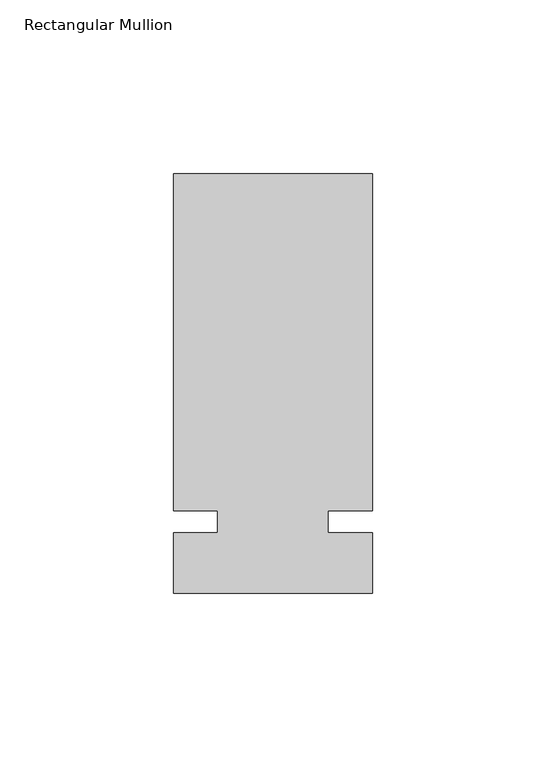
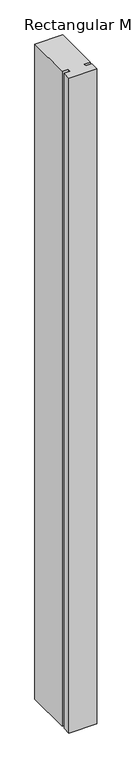
"""IFC4 building model written with IfcOpenShell, lengths in millimetres: member geometry, Rectangular Mullion."""

import ifcopenshell
import ifcopenshell.guid

model = None  # the IFC model being written
_history = None  # IfcOwnerHistory: only IFC2X3 demands one
_inside = {}  # id of a spatial element -> (the spatial element, [elements in it])
_under = {}  # id of a project, library or spatial element -> (it, [spatial elements below it])
_declared = {}  # id of a project -> (the project, [libraries it declares])
_typed = {}  # id of a type object -> (the type object, [elements of that type])
_made_of = {}  # id of a material, layer set ... -> (it, [elements and type objects made of it])


def new_model(schema):
    """Start an empty IFC model of exactly this schema.

    Asked for "IFC4X3", IfcOpenShell would pick the latest addendum, in which some entities
    have other attributes; the version numbers below select the first issue.
    IFC2X3 requires an IfcOwnerHistory on every rooted entity: one is made here for all.
    """
    global model, _history
    if schema == "IFC4X3":
        model = ifcopenshell.file(schema_version=(4, 3, 0, 0))
    else:
        model = ifcopenshell.file(schema=schema)
    _inside.clear()
    _under.clear()
    _declared.clear()
    _typed.clear()
    _made_of.clear()
    _history = None
    if model.schema == "IFC2X3":
        org = make("IfcOrganization", Name="unknown")
        user = make(
            "IfcPersonAndOrganization",
            ThePerson=make("IfcPerson", FamilyName="unknown"),
            TheOrganization=org,
        )
        app = make(
            "IfcApplication",
            ApplicationDeveloper=org,
            Version="unknown",
            ApplicationFullName="unknown",
            ApplicationIdentifier="unknown",
        )
        _history = make(
            "IfcOwnerHistory",
            OwningUser=user,
            OwningApplication=app,
            ChangeAction="ADDED",
            CreationDate=0,
        )
    return model


def make(cls, **values):
    """One entity of the class cls with the attributes given. An attribute that is None is left unset."""
    return model.create_entity(
        cls, **{name: value for name, value in values.items() if value is not None}
    )


def rooted(cls, **values):
    """An entity with a GlobalId (a new one), such as an element, a storey or a relation."""
    return make(cls, GlobalId=ifcopenshell.guid.new(), OwnerHistory=_history, **values)


def si_unit(unit_type, name, prefix=None):
    """IfcSIUnit, for example si_unit("LENGTHUNIT", "METRE", prefix="MILLI")."""
    return make("IfcSIUnit", UnitType=unit_type, Prefix=prefix, Name=name)


def assignment(units):
    """IfcUnitAssignment: the units of a project."""
    return None if units is None else make("IfcUnitAssignment", Units=units)


def point(xyz):
    """IfcCartesianPoint."""
    return None if xyz is None else make("IfcCartesianPoint", Coordinates=xyz)


def direction(xyz):
    """IfcDirection."""
    return None if xyz is None else make("IfcDirection", DirectionRatios=xyz)


def frame(location, z_axis=None, x_axis=None):
    """IfcAxis2Placement3D, a coordinate frame: its origin and axes. An axis left out is left unset."""
    return make(
        "IfcAxis2Placement3D",
        Location=point(location),
        Axis=direction(z_axis),
        RefDirection=direction(x_axis),
    )


def origin():
    """The frame at (0, 0, 0) with its axes left unset."""
    return frame((0.0, 0.0, 0.0))


def place(relative_to, where):
    """IfcLocalPlacement: puts the frame where relative to a parent placement (None: the world)."""
    return make(
        "IfcLocalPlacement", PlacementRelTo=relative_to, RelativePlacement=where
    )


def context(
    kind, dimensions, precision=None, world=None, true_north=None, identifier=None
):
    """IfcGeometricRepresentationContext, for example the 3D "Model" context."""
    return make(
        "IfcGeometricRepresentationContext",
        ContextIdentifier=identifier,
        ContextType=kind,
        CoordinateSpaceDimension=dimensions,
        Precision=precision,
        WorldCoordinateSystem=world,
        TrueNorth=true_north,
    )


def project(units=None, contexts=None):
    """IfcProject with its units and contexts."""
    return rooted(
        "IfcProject",
        Name="project",
        RepresentationContexts=contexts,
        UnitsInContext=assignment(units),
    )


def spatial(cls, under=None, at=None, **own):
    """A site, building, storey or space (cls), placed at a placement, below another one or the project."""
    s = rooted(cls, ObjectPlacement=at, **own)
    if under is not None:
        _under.setdefault(under.id(), (under, []))[1].append(s)
    return s


def polyline(points):
    """IfcPolyline through the points."""
    return make("IfcPolyline", Points=[point(p) for p in points])


def outline(outer, holes=None, kind="AREA"):
    """IfcArbitraryClosedProfileDef: a profile drawn as a closed curve; with holes, ...WithVoids."""
    if holes is None:
        return make("IfcArbitraryClosedProfileDef", ProfileType=kind, OuterCurve=outer)
    return make(
        "IfcArbitraryProfileDefWithVoids",
        ProfileType=kind,
        OuterCurve=outer,
        InnerCurves=holes,
    )


def extrude(swept, where, along, depth):
    """IfcExtrudedAreaSolid: the profile swept, set in the frame where, extruded along a direction by depth."""
    return make(
        "IfcExtrudedAreaSolid",
        SweptArea=swept,
        Position=where,
        ExtrudedDirection=direction(along),
        Depth=depth,
    )


def shape(context_of_items, identifier, shape_type, items):
    """IfcShapeRepresentation: the items that make up one representation, for example the "Body"."""
    return make(
        "IfcShapeRepresentation",
        ContextOfItems=context_of_items,
        RepresentationIdentifier=identifier,
        RepresentationType=shape_type,
        Items=items,
    )


def source(mapping_origin, context_of_items, identifier, shape_type, items):
    """IfcRepresentationMap: a shape defined once, which mapped items show again and again."""
    return make(
        "IfcRepresentationMap",
        MappingOrigin=mapping_origin,
        MappedRepresentation=shape(context_of_items, identifier, shape_type, items),
    )


def transform(
    local_origin,
    x_axis=None,
    y_axis=None,
    z_axis=None,
    scale=None,
    scale2=None,
    scale3=None,
    uniform=True,
):
    """IfcCartesianTransformationOperator3D, or its non-uniform kind. x_axis, y_axis, z_axis: its Axis1, 2, 3."""
    if uniform:
        return make(
            "IfcCartesianTransformationOperator3D",
            Axis1=direction(x_axis),
            Axis2=direction(y_axis),
            LocalOrigin=point(local_origin),
            Scale=scale,
            Axis3=direction(z_axis),
        )
    return make(
        "IfcCartesianTransformationOperator3DnonUniform",
        Axis1=direction(x_axis),
        Axis2=direction(y_axis),
        LocalOrigin=point(local_origin),
        Scale=scale,
        Axis3=direction(z_axis),
        Scale2=scale2,
        Scale3=scale3,
    )


def mapped(mapping_source, mapping_target):
    """IfcMappedItem: shows the shape of a source again, moved by a transform."""
    return make(
        "IfcMappedItem", MappingSource=mapping_source, MappingTarget=mapping_target
    )


def made_of(thing, what):
    """Note that an element or type object is made of a material, layer set ...; save() writes the relation."""
    if what is not None:
        _made_of.setdefault(what.id(), (what, []))[1].append(thing)
    return thing


def element(
    cls,
    number,
    at=None,
    inside=None,
    cuts=None,
    type_object=None,
    material=None,
    context=None,
    identifier="Body",
    shape_type=None,
    held_by="IfcProductDefinitionShape",
    body=None,
    shapes=None,
    **own,
):
    """One element of the class cls, such as IfcWall. Its Tag is "e" and its number.

    at: its placement. inside: the storey or other place that contains it. cuts: it is an
    opening in that element (IfcRelVoidsElement). A single representation is given by context,
    identifier, shape_type and body (its items); several are given by shapes. held_by: the class
    of the entity that holds the representations. save() writes the other relations.
    """
    e = rooted(cls, Tag="e%d" % number, ObjectPlacement=at, **own)
    if body is not None:
        shapes = [shape(context, identifier, shape_type, body)]
    if shapes is not None:
        e.Representation = make(held_by, Representations=shapes)
    if inside is not None:
        _inside.setdefault(inside.id(), (inside, []))[1].append(e)
    if cuts is not None:
        rooted(
            "IfcRelVoidsElement", RelatingBuildingElement=cuts, RelatedOpeningElement=e
        )
    if type_object is not None:
        _typed.setdefault(type_object.id(), (type_object, []))[1].append(e)
    return made_of(e, material)


def aggregate(whole, parts):
    """IfcRelAggregates: a whole, such as a stair, and the parts it consists of."""
    return rooted("IfcRelAggregates", RelatingObject=whole, RelatedObjects=parts)


def save(model, path):
    """Write the relations noted so far, then the file.

    IfcRelAggregates (storeys below a building ...), IfcRelContainedInSpatialStructure (elements
    in a storey), IfcRelDefinesByType, IfcRelAssociatesMaterial and IfcRelDeclares: one each for
    every whole, place, type object, material and project.
    """
    for whole, parts in _under.values():
        aggregate(whole, parts)
    for where, things in _inside.values():
        rooted(
            "IfcRelContainedInSpatialStructure",
            RelatedElements=things,
            RelatingStructure=where,
        )
    for kind, things in _typed.values():
        rooted("IfcRelDefinesByType", RelatedObjects=things, RelatingType=kind)
    for what, things in _made_of.values():
        rooted("IfcRelAssociatesMaterial", RelatedObjects=things, RelatingMaterial=what)
    for by, libraries in _declared.values():
        rooted("IfcRelDeclares", RelatingContext=by, RelatedDefinitions=libraries)
    model.write(path)


def rectangular_mullion_2376280b(model_context):
    return source(origin(), model_context, "Body", "SweptSolid", [
        extrude(outline(polyline([(32.9094027, 100.0125), (32.9094027, 3.175), (20.2076322, 3.175), (20.2076322, -3.175), (32.9094027, -3.175), (32.9094027, -20.6375), (-24.2405973, -20.6375), (-24.2405973, -3.175), (-11.5405973, -3.175), (-11.5405973, 3.175), (-24.2405973, 3.175), (-24.2405973, 100.0125), (32.9094027, 100.0125)])), frame((0.0, 0.0, -1416.1510693), z_axis=(0.0, 0.0, 1.0), x_axis=(1.0, 0.0, 0.0)), (0.0, 0.0, 1.0), 1416.1510693),
    ])


if __name__ == "__main__":
    model = new_model("IFC4")
    model_context = context("Model", 3, world=origin())
    ifc_project = project(units=[si_unit("LENGTHUNIT", "METRE", prefix="MILLI")], contexts=[model_context])
    site = spatial("IfcSite", under=ifc_project)
    building = spatial("IfcBuilding", under=site)
    placement = place(None, origin())
    rectangular_mullion_shape = rectangular_mullion_2376280b(model_context)
    element("IfcMember", 1, ObjectType="Rectangular Mullion", at=placement, inside=building, context=model_context, shape_type="MappedRepresentation", body=[
        mapped(rectangular_mullion_shape, transform((0.0, 0.0, 0.0), x_axis=(1.0, 0.0, 0.0), y_axis=(0.0, 1.0, 0.0), z_axis=(0.0, 0.0, 1.0))),
    ])
    save(model, "model.ifc")
